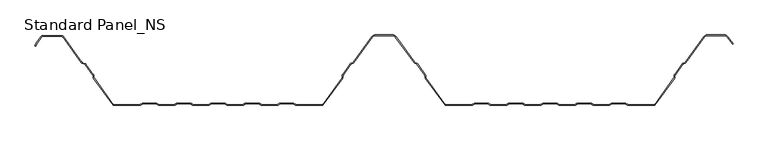
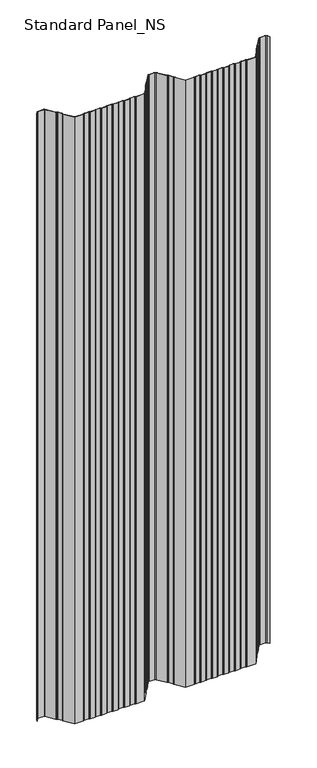
"""IFC4 building model written with IfcOpenShell, lengths in millimetres: proxy geometry, Standard Panel_NS."""

from ifc_helpers import new_model, si_unit, point, frame, frame_2d, origin, place, context, project, spatial, polyline, circle_curve, trimmed, segment, composite_curve, outline, extrude, source, transform, mapped, element, save


def standard_panel_ns_b1b751fa(model_context):
    return source(origin(), model_context, "Body", "SweptSolid", [
        extrude(outline(composite_curve([segment(trimmed(circle_curve(frame_2d((-489.5977663, 97.2513951)), 2.7486049), [point((-491.8230655, 98.864737))], [point((-489.5977663, 100.0))], False, "CARTESIAN"), True, "CONTINUOUS"), segment(polyline([(-489.5977663, 100.0), (-462.4022334, 100.0)]), True, "CONTINUOUS"), segment(trimmed(circle_curve(frame_2d((-462.4022334, 97.2513951)), 2.7486049), [point((-462.4022334, 100.0))], [point((-460.1769342, 98.864737))], False, "CARTESIAN"), True, "CONTINUOUS"), segment(polyline([(-460.1769342, 98.864737), (-433.3812186, 61.9051293)]), True, "CONTINUOUS"), segment(trimmed(circle_curve(frame_2d((-431.9655298, 62.9315037)), 1.7486049), [point((-433.3812186, 61.9051293))], [point((-432.574124, 61.2922257))], True, "CARTESIAN"), True, "CONTINUOUS"), segment(polyline([(-432.574124, 61.2922257), (-428.7804508, 59.8837962)]), True, "CONTINUOUS"), segment(trimmed(circle_curve(frame_2d((-429.7370906, 57.3070406)), 2.7486049), [point((-428.7804508, 59.8837962))], [point((-427.5117914, 58.9203825))], False, "CARTESIAN"), True, "CONTINUOUS"), segment(polyline([(-427.5117914, 58.9203825), (-416.762254, 44.0934344)]), True, "CONTINUOUS"), segment(trimmed(circle_curve(frame_2d((-418.9875532, 42.4800924)), 2.7486049), [point((-416.762254, 44.0934344))], [point((-416.2410712, 42.5881001))], False, "CARTESIAN"), True, "CONTINUOUS"), segment(polyline([(-416.2410712, 42.5881001), (-416.1528959, 40.3459275)]), True, "CONTINUOUS"), segment(trimmed(circle_curve(frame_2d((-414.4056416, 40.4146398)), 1.7486049), [point((-416.1528959, 40.3459275))], [point((-415.8213303, 39.3882654))], True, "CARTESIAN"), True, "CONTINUOUS"), segment(polyline([(-415.8213303, 39.3882654), (-387.9898379, 1.0), (-350.1655438, 1.0)]), True, "CONTINUOUS"), segment(trimmed(circle_curve(frame_2d((-350.1655438, 2.7486049)), 1.7486049), [point((-350.1655438, 1.0))], [point((-349.1955923, 1.2936777))], True, "CARTESIAN"), True, "CONTINUOUS"), segment(polyline([(-349.1955923, 1.2936777), (-347.3285499, 2.5383726)]), True, "CONTINUOUS"), segment(trimmed(circle_curve(frame_2d((-345.8038982, 0.2513951)), 2.7486049), [point((-347.3285499, 2.5383726))], [point((-345.8038982, 3.0))], False, "CARTESIAN"), True, "CONTINUOUS"), segment(polyline([(-345.8038982, 3.0), (-326.8627681, 3.0)]), True, "CONTINUOUS"), segment(trimmed(circle_curve(frame_2d((-326.8627681, 0.2513951)), 2.7486049), [point((-326.8627681, 3.0))], [point((-325.3381165, 2.5383726))], False, "CARTESIAN"), True, "CONTINUOUS"), segment(polyline([(-325.3381165, 2.5383726), (-323.4710741, 1.2936777)]), True, "CONTINUOUS"), segment(trimmed(circle_curve(frame_2d((-322.5011226, 2.7486049)), 1.7486049), [point((-323.4710741, 1.2936777))], [point((-322.5011226, 1.0))], True, "CARTESIAN"), True, "CONTINUOUS"), segment(polyline([(-322.5011226, 1.0), (-300.9988771, 1.0)]), True, "CONTINUOUS"), segment(trimmed(circle_curve(frame_2d((-300.9988771, 2.7486049)), 1.7486049), [point((-300.9988771, 1.0))], [point((-300.0289256, 1.2936777))], True, "CARTESIAN"), True, "CONTINUOUS"), segment(polyline([(-300.0289256, 1.2936777), (-298.1618832, 2.5383726)]), True, "CONTINUOUS"), segment(trimmed(circle_curve(frame_2d((-296.6372316, 0.2513951)), 2.7486049), [point((-298.1618832, 2.5383726))], [point((-296.6372316, 3.0))], False, "CARTESIAN"), True, "CONTINUOUS"), segment(polyline([(-296.6372316, 3.0), (-277.6961015, 3.0)]), True, "CONTINUOUS"), segment(trimmed(circle_curve(frame_2d((-277.6961015, 0.2513951)), 2.7486049), [point((-277.6961015, 3.0))], [point((-276.1714498, 2.5383726))], False, "CARTESIAN"), True, "CONTINUOUS"), segment(polyline([(-276.1714498, 2.5383726), (-274.3044074, 1.2936777)]), True, "CONTINUOUS"), segment(trimmed(circle_curve(frame_2d((-273.3344559, 2.7486049)), 1.7486049), [point((-274.3044074, 1.2936777))], [point((-273.3344559, 1.0))], True, "CARTESIAN"), True, "CONTINUOUS"), segment(polyline([(-273.3344559, 1.0), (-251.8322104, 1.0)]), True, "CONTINUOUS"), segment(trimmed(circle_curve(frame_2d((-251.8322104, 2.7486049)), 1.7486049), [point((-251.8322104, 1.0))], [point((-250.862259, 1.2936777))], True, "CARTESIAN"), True, "CONTINUOUS"), segment(polyline([(-250.862259, 1.2936777), (-248.9952166, 2.5383726)]), True, "CONTINUOUS"), segment(trimmed(circle_curve(frame_2d((-247.4705649, 0.2513951)), 2.7486049), [point((-248.9952166, 2.5383726))], [point((-247.4705649, 3.0))], False, "CARTESIAN"), True, "CONTINUOUS"), segment(polyline([(-247.4705649, 3.0), (-228.5294348, 3.0)]), True, "CONTINUOUS"), segment(trimmed(circle_curve(frame_2d((-228.5294348, 0.2513951)), 2.7486049), [point((-228.5294348, 3.0))], [point((-227.0047831, 2.5383726))], False, "CARTESIAN"), True, "CONTINUOUS"), segment(polyline([(-227.0047831, 2.5383726), (-225.1377407, 1.2936777)]), True, "CONTINUOUS"), segment(trimmed(circle_curve(frame_2d((-224.1677892, 2.7486049)), 1.7486049), [point((-225.1377407, 1.2936777))], [point((-224.1677892, 1.0))], True, "CARTESIAN"), True, "CONTINUOUS"), segment(polyline([(-224.1677892, 1.0), (-202.6655438, 1.0)]), True, "CONTINUOUS"), segment(trimmed(circle_curve(frame_2d((-202.6655438, 2.7486049)), 1.7486049), [point((-202.6655438, 1.0))], [point((-201.6955923, 1.2936777))], True, "CARTESIAN"), True, "CONTINUOUS"), segment(polyline([(-201.6955923, 1.2936777), (-199.8285499, 2.5383726)]), True, "CONTINUOUS"), segment(trimmed(circle_curve(frame_2d((-198.3038982, 0.2513951)), 2.7486049), [point((-199.8285499, 2.5383726))], [point((-198.3038982, 3.0))], False, "CARTESIAN"), True, "CONTINUOUS"), segment(polyline([(-198.3038982, 3.0), (-179.3627681, 3.0)]), True, "CONTINUOUS"), segment(trimmed(circle_curve(frame_2d((-179.3627681, 0.2513951)), 2.7486049), [point((-179.3627681, 3.0))], [point((-177.8381165, 2.5383726))], False, "CARTESIAN"), True, "CONTINUOUS"), segment(polyline([(-177.8381165, 2.5383726), (-175.9710741, 1.2936777)]), True, "CONTINUOUS"), segment(trimmed(circle_curve(frame_2d((-175.0011226, 2.7486049)), 1.7486049), [point((-175.9710741, 1.2936777))], [point((-175.0011226, 1.0))], True, "CARTESIAN"), True, "CONTINUOUS"), segment(polyline([(-175.0011226, 1.0), (-153.4988771, 1.0)]), True, "CONTINUOUS"), segment(trimmed(circle_curve(frame_2d((-153.4988771, 2.7486049)), 1.7486049), [point((-153.4988771, 1.0))], [point((-152.5289256, 1.2936777))], True, "CARTESIAN"), True, "CONTINUOUS"), segment(polyline([(-152.5289256, 1.2936777), (-150.6618832, 2.5383726)]), True, "CONTINUOUS"), segment(trimmed(circle_curve(frame_2d((-149.1372316, 0.2513951)), 2.7486049), [point((-150.6618832, 2.5383726))], [point((-149.1372316, 3.0))], False, "CARTESIAN"), True, "CONTINUOUS"), segment(polyline([(-149.1372316, 3.0), (-130.1961015, 3.0)]), True, "CONTINUOUS"), segment(trimmed(circle_curve(frame_2d((-130.1961015, 0.2513951)), 2.7486049), [point((-130.1961015, 3.0))], [point((-128.6714498, 2.5383726))], False, "CARTESIAN"), True, "CONTINUOUS"), segment(polyline([(-128.6714498, 2.5383726), (-126.8044074, 1.2936777)]), True, "CONTINUOUS"), segment(trimmed(circle_curve(frame_2d((-125.8344559, 2.7486049)), 1.7486049), [point((-126.8044074, 1.2936777))], [point((-125.8344559, 1.0))], True, "CARTESIAN"), True, "CONTINUOUS"), segment(polyline([(-125.8344559, 1.0), (-88.0101618, 1.0), (-60.1786694, 39.3882654)]), True, "CONTINUOUS"), segment(trimmed(circle_curve(frame_2d((-61.5943581, 40.4146398)), 1.7486049), [point((-60.1786694, 39.3882654))], [point((-59.8471038, 40.3459275))], True, "CARTESIAN"), True, "CONTINUOUS"), segment(polyline([(-59.8471038, 40.3459275), (-59.7589285, 42.5881001)]), True, "CONTINUOUS"), segment(trimmed(circle_curve(frame_2d((-57.0124465, 42.4800924)), 2.7486049), [point((-59.7589285, 42.5881001))], [point((-59.2377457, 44.0934344))], False, "CARTESIAN"), True, "CONTINUOUS"), segment(polyline([(-59.2377457, 44.0934344), (-48.1199166, 59.4283711)]), True, "CONTINUOUS"), segment(trimmed(circle_curve(frame_2d((-45.8946174, 57.8150291)), 2.7486049), [point((-48.1199166, 59.4283711))], [point((-46.8512572, 60.3917847))], False, "CARTESIAN"), True, "CONTINUOUS"), segment(polyline([(-46.8512572, 60.3917847), (-44.7476458, 61.1727662)]), True, "CONTINUOUS"), segment(trimmed(circle_curve(frame_2d((-45.35624, 62.8120441)), 1.7486049), [point((-44.7476458, 61.1727662))], [point((-43.9405512, 61.7856697))], True, "CARTESIAN"), True, "CONTINUOUS"), segment(polyline([(-43.9405512, 61.7856697), (-17.3068528, 98.5218054)]), True, "CONTINUOUS"), segment(trimmed(circle_curve(frame_2d((-12.4491902, 95.0)), 6.0), [point((-17.3068528, 98.5218054))], [point((-12.4491902, 101.0))], False, "CARTESIAN"), True, "CONTINUOUS"), segment(polyline([(-12.4491902, 101.0), (12.4491905, 101.0)]), True, "CONTINUOUS"), segment(trimmed(circle_curve(frame_2d((12.4491905, 95.0)), 6.0), [point((12.4491905, 101.0))], [point((17.3068531, 98.5218054))], False, "CARTESIAN"), True, "CONTINUOUS"), segment(polyline([(17.3068531, 98.5218054), (43.9405515, 61.7856697)]), True, "CONTINUOUS"), segment(trimmed(circle_curve(frame_2d((45.3562403, 62.8120441)), 1.7486049), [point((43.9405515, 61.7856697))], [point((44.7476461, 61.1727662))], True, "CARTESIAN"), True, "CONTINUOUS"), segment(polyline([(44.7476461, 61.1727662), (46.8512575, 60.3917847)]), True, "CONTINUOUS"), segment(trimmed(circle_curve(frame_2d((45.8946177, 57.8150291)), 2.7486049), [point((46.8512575, 60.3917847))], [point((48.1199169, 59.4283711))], False, "CARTESIAN"), True, "CONTINUOUS"), segment(polyline([(48.1199169, 59.4283711), (59.237746, 44.0934344)]), True, "CONTINUOUS"), segment(trimmed(circle_curve(frame_2d((57.0124468, 42.4800924)), 2.7486049), [point((59.237746, 44.0934344))], [point((59.7589288, 42.5881001))], False, "CARTESIAN"), True, "CONTINUOUS"), segment(polyline([(59.7589288, 42.5881001), (59.8471041, 40.3459275)]), True, "CONTINUOUS"), segment(trimmed(circle_curve(frame_2d((61.5943584, 40.4146398)), 1.7486049), [point((59.8471041, 40.3459275))], [point((60.1786697, 39.3882654))], True, "CARTESIAN"), True, "CONTINUOUS"), segment(polyline([(60.1786697, 39.3882654), (88.0101621, 1.0), (125.8344562, 1.0)]), True, "CONTINUOUS"), segment(trimmed(circle_curve(frame_2d((125.8344562, 2.7486049)), 1.7486049), [point((125.8344562, 1.0))], [point((126.8044077, 1.2936777))], True, "CARTESIAN"), True, "CONTINUOUS"), segment(polyline([(126.8044077, 1.2936777), (128.6714501, 2.5383726)]), True, "CONTINUOUS"), segment(trimmed(circle_curve(frame_2d((130.1961018, 0.2513951)), 2.7486049), [point((128.6714501, 2.5383726))], [point((130.1961018, 3.0))], False, "CARTESIAN"), True, "CONTINUOUS"), segment(polyline([(130.1961018, 3.0), (149.1372319, 3.0)]), True, "CONTINUOUS"), segment(trimmed(circle_curve(frame_2d((149.1372319, 0.2513951)), 2.7486049), [point((149.1372319, 3.0))], [point((150.6618835, 2.5383726))], False, "CARTESIAN"), True, "CONTINUOUS"), segment(polyline([(150.6618835, 2.5383726), (152.5289259, 1.2936777)]), True, "CONTINUOUS"), segment(trimmed(circle_curve(frame_2d((153.4988774, 2.7486049)), 1.7486049), [point((152.5289259, 1.2936777))], [point((153.4988774, 1.0))], True, "CARTESIAN"), True, "CONTINUOUS"), segment(polyline([(153.4988774, 1.0), (175.0011229, 1.0)]), True, "CONTINUOUS"), segment(trimmed(circle_curve(frame_2d((175.0011229, 2.7486049)), 1.7486049), [point((175.0011229, 1.0))], [point((175.9710744, 1.2936777))], True, "CARTESIAN"), True, "CONTINUOUS"), segment(polyline([(175.9710744, 1.2936777), (177.8381168, 2.5383726)]), True, "CONTINUOUS"), segment(trimmed(circle_curve(frame_2d((179.3627684, 0.2513951)), 2.7486049), [point((177.8381168, 2.5383726))], [point((179.3627684, 3.0))], False, "CARTESIAN"), True, "CONTINUOUS"), segment(polyline([(179.3627684, 3.0), (198.3038985, 3.0)]), True, "CONTINUOUS"), segment(trimmed(circle_curve(frame_2d((198.3038985, 0.2513951)), 2.7486049), [point((198.3038985, 3.0))], [point((199.8285502, 2.5383726))], False, "CARTESIAN"), True, "CONTINUOUS"), segment(polyline([(199.8285502, 2.5383726), (201.6955926, 1.2936777)]), True, "CONTINUOUS"), segment(trimmed(circle_curve(frame_2d((202.6655441, 2.7486049)), 1.7486049), [point((201.6955926, 1.2936777))], [point((202.6655441, 1.0))], True, "CARTESIAN"), True, "CONTINUOUS"), segment(polyline([(202.6655441, 1.0), (224.1677896, 1.0)]), True, "CONTINUOUS"), segment(trimmed(circle_curve(frame_2d((224.1677896, 2.7486049)), 1.7486049), [point((224.1677896, 1.0))], [point((225.137741, 1.2936777))], True, "CARTESIAN"), True, "CONTINUOUS"), segment(polyline([(225.137741, 1.2936777), (227.0047834, 2.5383726)]), True, "CONTINUOUS"), segment(trimmed(circle_curve(frame_2d((228.5294351, 0.2513951)), 2.7486049), [point((227.0047834, 2.5383726))], [point((228.5294351, 3.0))], False, "CARTESIAN"), True, "CONTINUOUS"), segment(polyline([(228.5294351, 3.0), (247.4705652, 3.0)]), True, "CONTINUOUS"), segment(trimmed(circle_curve(frame_2d((247.4705652, 0.2513951)), 2.7486049), [point((247.4705652, 3.0))], [point((248.9952169, 2.5383726))], False, "CARTESIAN"), True, "CONTINUOUS"), segment(polyline([(248.9952169, 2.5383726), (250.8622593, 1.2936777)]), True, "CONTINUOUS"), segment(trimmed(circle_curve(frame_2d((251.8322108, 2.7486049)), 1.7486049), [point((250.8622593, 1.2936777))], [point((251.8322108, 1.0))], True, "CARTESIAN"), True, "CONTINUOUS"), segment(polyline([(251.8322108, 1.0), (273.3344562, 1.0)]), True, "CONTINUOUS"), segment(trimmed(circle_curve(frame_2d((273.3344562, 2.7486049)), 1.7486049), [point((273.3344562, 1.0))], [point((274.3044077, 1.2936777))], True, "CARTESIAN"), True, "CONTINUOUS"), segment(polyline([(274.3044077, 1.2936777), (276.1714501, 2.5383726)]), True, "CONTINUOUS"), segment(trimmed(circle_curve(frame_2d((277.6961018, 0.2513951)), 2.7486049), [point((276.1714501, 2.5383726))], [point((277.6961018, 3.0))], False, "CARTESIAN"), True, "CONTINUOUS"), segment(polyline([(277.6961018, 3.0), (296.6372319, 3.0)]), True, "CONTINUOUS"), segment(trimmed(circle_curve(frame_2d((296.6372319, 0.2513951)), 2.7486049), [point((296.6372319, 3.0))], [point((298.1618835, 2.5383726))], False, "CARTESIAN"), True, "CONTINUOUS"), segment(polyline([(298.1618835, 2.5383726), (300.0289259, 1.2936777)]), True, "CONTINUOUS"), segment(trimmed(circle_curve(frame_2d((300.9988774, 2.7486049)), 1.7486049), [point((300.0289259, 1.2936777))], [point((300.9988774, 1.0))], True, "CARTESIAN"), True, "CONTINUOUS"), segment(polyline([(300.9988774, 1.0), (322.5011229, 1.0)]), True, "CONTINUOUS"), segment(trimmed(circle_curve(frame_2d((322.5011229, 2.7486049)), 1.7486049), [point((322.5011229, 1.0))], [point((323.4710744, 1.2936777))], True, "CARTESIAN"), True, "CONTINUOUS"), segment(polyline([(323.4710744, 1.2936777), (325.3381168, 2.5383726)]), True, "CONTINUOUS"), segment(trimmed(circle_curve(frame_2d((326.8627684, 0.2513951)), 2.7486049), [point((325.3381168, 2.5383726))], [point((326.8627684, 3.0))], False, "CARTESIAN"), True, "CONTINUOUS"), segment(polyline([(326.8627684, 3.0), (345.8038985, 3.0)]), True, "CONTINUOUS"), segment(trimmed(circle_curve(frame_2d((345.8038985, 0.2513951)), 2.7486049), [point((345.8038985, 3.0))], [point((347.3285502, 2.5383726))], False, "CARTESIAN"), True, "CONTINUOUS"), segment(polyline([(347.3285502, 2.5383726), (349.1955926, 1.2936777)]), True, "CONTINUOUS"), segment(trimmed(circle_curve(frame_2d((350.1655441, 2.7486049)), 1.7486049), [point((349.1955926, 1.2936777))], [point((350.1655441, 1.0))], True, "CARTESIAN"), True, "CONTINUOUS"), segment(polyline([(350.1655441, 1.0), (387.9898382, 1.0), (415.8213306, 39.3882654)]), True, "CONTINUOUS"), segment(trimmed(circle_curve(frame_2d((414.4056419, 40.4146398)), 1.7486049), [point((415.8213306, 39.3882654))], [point((416.1528962, 40.3459275))], True, "CARTESIAN"), True, "CONTINUOUS"), segment(polyline([(416.1528962, 40.3459275), (416.2410715, 42.5881001)]), True, "CONTINUOUS"), segment(trimmed(circle_curve(frame_2d((418.9875535, 42.4800924)), 2.7486049), [point((416.2410715, 42.5881001))], [point((416.7622543, 44.0934344))], False, "CARTESIAN"), True, "CONTINUOUS"), segment(polyline([(416.7622543, 44.0934344), (427.8800834, 59.4283711)]), True, "CONTINUOUS"), segment(trimmed(circle_curve(frame_2d((430.1053826, 57.8150291)), 2.7486049), [point((427.8800834, 59.4283711))], [point((429.1487428, 60.3917847))], False, "CARTESIAN"), True, "CONTINUOUS"), segment(polyline([(429.1487428, 60.3917847), (431.2523542, 61.1727662)]), True, "CONTINUOUS"), segment(trimmed(circle_curve(frame_2d((430.64376, 62.8120441)), 1.7486049), [point((431.2523542, 61.1727662))], [point((432.0594488, 61.7856697))], True, "CARTESIAN"), True, "CONTINUOUS"), segment(polyline([(432.0594488, 61.7856697), (458.6931472, 98.5218054)]), True, "CONTINUOUS"), segment(trimmed(circle_curve(frame_2d((463.5508098, 95.0)), 6.0), [point((458.6931472, 98.5218054))], [point((463.5508098, 101.0))], False, "CARTESIAN"), True, "CONTINUOUS"), segment(polyline([(463.5508098, 101.0), (488.4491905, 101.0)]), True, "CONTINUOUS"), segment(trimmed(circle_curve(frame_2d((488.4491905, 95.0)), 6.0), [point((488.4491905, 101.0))], [point((493.3068531, 98.5218054))], False, "CARTESIAN"), True, "CONTINUOUS"), segment(polyline([(493.3068531, 98.5218054), (500.6141242, 88.4428109), (499.8045137, 87.8558433), (492.4972427, 97.9348379)]), True, "CONTINUOUS"), segment(trimmed(circle_curve(frame_2d((488.4491905, 95.0)), 5.0), [point((492.4972427, 97.9348379))], [point((488.4491905, 100.0))], True, "CARTESIAN"), True, "CONTINUOUS"), segment(polyline([(488.4491905, 100.0), (463.5508098, 100.0)]), True, "CONTINUOUS"), segment(trimmed(circle_curve(frame_2d((463.5508098, 95.0)), 5.0), [point((463.5508098, 100.0))], [point((459.5027576, 97.9348379))], True, "CARTESIAN"), True, "CONTINUOUS"), segment(polyline([(459.5027576, 97.9348379), (432.8690592, 61.1987022)]), True, "CONTINUOUS"), segment(trimmed(circle_curve(frame_2d((430.64376, 62.8120441)), 2.7486049), [point((432.8690592, 61.1987022))], [point((431.6003998, 60.2352885))], False, "CARTESIAN"), True, "CONTINUOUS"), segment(polyline([(431.6003998, 60.2352885), (429.4967884, 59.4543071)]), True, "CONTINUOUS"), segment(trimmed(circle_curve(frame_2d((430.1053826, 57.8150291)), 1.7486049), [point((429.4967884, 59.4543071))], [point((428.6896938, 58.8414035))], True, "CARTESIAN"), True, "CONTINUOUS"), segment(polyline([(428.6896938, 58.8414035), (417.5718647, 43.5064668)]), True, "CONTINUOUS"), segment(trimmed(circle_curve(frame_2d((418.9875535, 42.4800924)), 1.7486049), [point((417.5718647, 43.5064668))], [point((417.2402992, 42.5488047))], True, "CARTESIAN"), True, "CONTINUOUS"), segment(polyline([(417.2402992, 42.5488047), (417.1521238, 40.3066321)]), True, "CONTINUOUS"), segment(trimmed(circle_curve(frame_2d((414.4056419, 40.4146398)), 2.7486049), [point((417.1521238, 40.3066321))], [point((416.6309411, 38.8012978))], False, "CARTESIAN"), True, "CONTINUOUS"), segment(polyline([(416.6309411, 38.8012978), (388.5000002, 0.0), (350.1655441, 0.0)]), True, "CONTINUOUS"), segment(trimmed(circle_curve(frame_2d((350.1655441, 2.7486049)), 2.7486049), [point((350.1655441, 0.0))], [point((348.6408924, 0.4616274))], False, "CARTESIAN"), True, "CONTINUOUS"), segment(polyline([(348.6408924, 0.4616274), (346.77385, 1.7063223)]), True, "CONTINUOUS"), segment(trimmed(circle_curve(frame_2d((345.8038985, 0.2513951)), 1.7486049), [point((346.77385, 1.7063223))], [point((345.8038985, 2.0))], True, "CARTESIAN"), True, "CONTINUOUS"), segment(polyline([(345.8038985, 2.0), (326.8627684, 2.0)]), True, "CONTINUOUS"), segment(trimmed(circle_curve(frame_2d((326.8627684, 0.2513951)), 1.7486049), [point((326.8627684, 2.0))], [point((325.892817, 1.7063223))], True, "CARTESIAN"), True, "CONTINUOUS"), segment(polyline([(325.892817, 1.7063223), (324.0257746, 0.4616274)]), True, "CONTINUOUS"), segment(trimmed(circle_curve(frame_2d((322.5011229, 2.7486049)), 2.7486049), [point((324.0257746, 0.4616274))], [point((322.5011229, 0.0))], False, "CARTESIAN"), True, "CONTINUOUS"), segment(polyline([(322.5011229, 0.0), (300.9988774, 0.0)]), True, "CONTINUOUS"), segment(trimmed(circle_curve(frame_2d((300.9988774, 2.7486049)), 2.7486049), [point((300.9988774, 0.0))], [point((299.4742257, 0.4616274))], False, "CARTESIAN"), True, "CONTINUOUS"), segment(polyline([(299.4742257, 0.4616274), (297.6071833, 1.7063223)]), True, "CONTINUOUS"), segment(trimmed(circle_curve(frame_2d((296.6372319, 0.2513951)), 1.7486049), [point((297.6071833, 1.7063223))], [point((296.6372319, 2.0))], True, "CARTESIAN"), True, "CONTINUOUS"), segment(polyline([(296.6372319, 2.0), (277.6961018, 2.0)]), True, "CONTINUOUS"), segment(trimmed(circle_curve(frame_2d((277.6961018, 0.2513951)), 1.7486049), [point((277.6961018, 2.0))], [point((276.7261503, 1.7063223))], True, "CARTESIAN"), True, "CONTINUOUS"), segment(polyline([(276.7261503, 1.7063223), (274.8591079, 0.4616274)]), True, "CONTINUOUS"), segment(trimmed(circle_curve(frame_2d((273.3344562, 2.7486049)), 2.7486049), [point((274.8591079, 0.4616274))], [point((273.3344562, 0.0))], False, "CARTESIAN"), True, "CONTINUOUS"), segment(polyline([(273.3344562, 0.0), (251.8322108, 0.0)]), True, "CONTINUOUS"), segment(trimmed(circle_curve(frame_2d((251.8322108, 2.7486049)), 2.7486049), [point((251.8322108, 0.0))], [point((250.3075591, 0.4616274))], False, "CARTESIAN"), True, "CONTINUOUS"), segment(polyline([(250.3075591, 0.4616274), (248.4405167, 1.7063223)]), True, "CONTINUOUS"), segment(trimmed(circle_curve(frame_2d((247.4705652, 0.2513951)), 1.7486049), [point((248.4405167, 1.7063223))], [point((247.4705652, 2.0))], True, "CARTESIAN"), True, "CONTINUOUS"), segment(polyline([(247.4705652, 2.0), (228.5294351, 2.0)]), True, "CONTINUOUS"), segment(trimmed(circle_curve(frame_2d((228.5294351, 0.2513951)), 1.7486049), [point((228.5294351, 2.0))], [point((227.5594836, 1.7063223))], True, "CARTESIAN"), True, "CONTINUOUS"), segment(polyline([(227.5594836, 1.7063223), (225.6924412, 0.4616274)]), True, "CONTINUOUS"), segment(trimmed(circle_curve(frame_2d((224.1677896, 2.7486049)), 2.7486049), [point((225.6924412, 0.4616274))], [point((224.1677896, 0.0))], False, "CARTESIAN"), True, "CONTINUOUS"), segment(polyline([(224.1677896, 0.0), (202.6655441, 0.0)]), True, "CONTINUOUS"), segment(trimmed(circle_curve(frame_2d((202.6655441, 2.7486049)), 2.7486049), [point((202.6655441, 0.0))], [point((201.1408924, 0.4616274))], False, "CARTESIAN"), True, "CONTINUOUS"), segment(polyline([(201.1408924, 0.4616274), (199.27385, 1.7063223)]), True, "CONTINUOUS"), segment(trimmed(circle_curve(frame_2d((198.3038985, 0.2513951)), 1.7486049), [point((199.27385, 1.7063223))], [point((198.3038985, 2.0))], True, "CARTESIAN"), True, "CONTINUOUS"), segment(polyline([(198.3038985, 2.0), (179.3627684, 2.0)]), True, "CONTINUOUS"), segment(trimmed(circle_curve(frame_2d((179.3627684, 0.2513951)), 1.7486049), [point((179.3627684, 2.0))], [point((178.392817, 1.7063223))], True, "CARTESIAN"), True, "CONTINUOUS"), segment(polyline([(178.392817, 1.7063223), (176.5257746, 0.4616274)]), True, "CONTINUOUS"), segment(trimmed(circle_curve(frame_2d((175.0011229, 2.7486049)), 2.7486049), [point((176.5257746, 0.4616274))], [point((175.0011229, 0.0))], False, "CARTESIAN"), True, "CONTINUOUS"), segment(polyline([(175.0011229, 0.0), (153.4988774, 0.0)]), True, "CONTINUOUS"), segment(trimmed(circle_curve(frame_2d((153.4988774, 2.7486049)), 2.7486049), [point((153.4988774, 0.0))], [point((151.9742257, 0.4616274))], False, "CARTESIAN"), True, "CONTINUOUS"), segment(polyline([(151.9742257, 0.4616274), (150.1071833, 1.7063223)]), True, "CONTINUOUS"), segment(trimmed(circle_curve(frame_2d((149.1372319, 0.2513951)), 1.7486049), [point((150.1071833, 1.7063223))], [point((149.1372319, 2.0))], True, "CARTESIAN"), True, "CONTINUOUS"), segment(polyline([(149.1372319, 2.0), (130.1961018, 2.0)]), True, "CONTINUOUS"), segment(trimmed(circle_curve(frame_2d((130.1961018, 0.2513951)), 1.7486049), [point((130.1961018, 2.0))], [point((129.2261503, 1.7063223))], True, "CARTESIAN"), True, "CONTINUOUS"), segment(polyline([(129.2261503, 1.7063223), (127.3591079, 0.4616274)]), True, "CONTINUOUS"), segment(trimmed(circle_curve(frame_2d((125.8344562, 2.7486049)), 2.7486049), [point((127.3591079, 0.4616274))], [point((125.8344562, 0.0))], False, "CARTESIAN"), True, "CONTINUOUS"), segment(polyline([(125.8344562, 0.0), (87.5000002, 0.0), (59.3690592, 38.8012978)]), True, "CONTINUOUS"), segment(trimmed(circle_curve(frame_2d((61.5943584, 40.4146398)), 2.7486049), [point((59.3690592, 38.8012978))], [point((58.8478765, 40.3066321))], False, "CARTESIAN"), True, "CONTINUOUS"), segment(polyline([(58.8478765, 40.3066321), (58.7597011, 42.5488047)]), True, "CONTINUOUS"), segment(trimmed(circle_curve(frame_2d((57.0124468, 42.4800924)), 1.7486049), [point((58.7597011, 42.5488047))], [point((58.4281356, 43.5064668))], True, "CARTESIAN"), True, "CONTINUOUS"), segment(polyline([(58.4281356, 43.5064668), (47.3103065, 58.8414035)]), True, "CONTINUOUS"), segment(trimmed(circle_curve(frame_2d((45.8946177, 57.8150291)), 1.7486049), [point((47.3103065, 58.8414035))], [point((46.5032119, 59.4543071))], True, "CARTESIAN"), True, "CONTINUOUS"), segment(polyline([(46.5032119, 59.4543071), (44.3996005, 60.2352885)]), True, "CONTINUOUS"), segment(trimmed(circle_curve(frame_2d((45.3562403, 62.8120441)), 2.7486049), [point((44.3996005, 60.2352885))], [point((43.1309411, 61.1987022))], False, "CARTESIAN"), True, "CONTINUOUS"), segment(polyline([(43.1309411, 61.1987022), (16.4972427, 97.9348379)]), True, "CONTINUOUS"), segment(trimmed(circle_curve(frame_2d((12.4491905, 95.0)), 5.0), [point((16.4972427, 97.9348379))], [point((12.4491905, 100.0))], True, "CARTESIAN"), True, "CONTINUOUS"), segment(polyline([(12.4491905, 100.0), (-12.4491902, 100.0)]), True, "CONTINUOUS"), segment(trimmed(circle_curve(frame_2d((-12.4491902, 95.0)), 5.0), [point((-12.4491902, 100.0))], [point((-16.4972424, 97.9348379))], True, "CARTESIAN"), True, "CONTINUOUS"), segment(polyline([(-16.4972424, 97.9348379), (-43.1309408, 61.1987022)]), True, "CONTINUOUS"), segment(trimmed(circle_curve(frame_2d((-45.35624, 62.8120441)), 2.7486049), [point((-43.1309408, 61.1987022))], [point((-44.3996002, 60.2352885))], False, "CARTESIAN"), True, "CONTINUOUS"), segment(polyline([(-44.3996002, 60.2352885), (-46.5032116, 59.4543071)]), True, "CONTINUOUS"), segment(trimmed(circle_curve(frame_2d((-45.8946174, 57.8150291)), 1.7486049), [point((-46.5032116, 59.4543071))], [point((-47.3103062, 58.8414035))], True, "CARTESIAN"), True, "CONTINUOUS"), segment(polyline([(-47.3103062, 58.8414035), (-58.4281353, 43.5064668)]), True, "CONTINUOUS"), segment(trimmed(circle_curve(frame_2d((-57.0124465, 42.4800924)), 1.7486049), [point((-58.4281353, 43.5064668))], [point((-58.7597008, 42.5488047))], True, "CARTESIAN"), True, "CONTINUOUS"), segment(polyline([(-58.7597008, 42.5488047), (-58.8478762, 40.3066321)]), True, "CONTINUOUS"), segment(trimmed(circle_curve(frame_2d((-61.5943581, 40.4146398)), 2.7486049), [point((-58.8478762, 40.3066321))], [point((-59.3690589, 38.8012978))], False, "CARTESIAN"), True, "CONTINUOUS"), segment(polyline([(-59.3690589, 38.8012978), (-87.4999998, 0.0), (-125.8344559, 0.0)]), True, "CONTINUOUS"), segment(trimmed(circle_curve(frame_2d((-125.8344559, 2.7486049)), 2.7486049), [point((-125.8344559, 0.0))], [point((-127.3591076, 0.4616274))], False, "CARTESIAN"), True, "CONTINUOUS"), segment(polyline([(-127.3591076, 0.4616274), (-129.22615, 1.7063223)]), True, "CONTINUOUS"), segment(trimmed(circle_curve(frame_2d((-130.1961015, 0.2513951)), 1.7486049), [point((-129.22615, 1.7063223))], [point((-130.1961015, 2.0))], True, "CARTESIAN"), True, "CONTINUOUS"), segment(polyline([(-130.1961015, 2.0), (-149.1372316, 2.0)]), True, "CONTINUOUS"), segment(trimmed(circle_curve(frame_2d((-149.1372316, 0.2513951)), 1.7486049), [point((-149.1372316, 2.0))], [point((-150.107183, 1.7063223))], True, "CARTESIAN"), True, "CONTINUOUS"), segment(polyline([(-150.107183, 1.7063223), (-151.9742254, 0.4616274)]), True, "CONTINUOUS"), segment(trimmed(circle_curve(frame_2d((-153.4988771, 2.7486049)), 2.7486049), [point((-151.9742254, 0.4616274))], [point((-153.4988771, 0.0))], False, "CARTESIAN"), True, "CONTINUOUS"), segment(polyline([(-153.4988771, 0.0), (-175.0011226, 0.0)]), True, "CONTINUOUS"), segment(trimmed(circle_curve(frame_2d((-175.0011226, 2.7486049)), 2.7486049), [point((-175.0011226, 0.0))], [point((-176.5257743, 0.4616274))], False, "CARTESIAN"), True, "CONTINUOUS"), segment(polyline([(-176.5257743, 0.4616274), (-178.3928167, 1.7063223)]), True, "CONTINUOUS"), segment(trimmed(circle_curve(frame_2d((-179.3627681, 0.2513951)), 1.7486049), [point((-178.3928167, 1.7063223))], [point((-179.3627681, 2.0))], True, "CARTESIAN"), True, "CONTINUOUS"), segment(polyline([(-179.3627681, 2.0), (-198.3038982, 2.0)]), True, "CONTINUOUS"), segment(trimmed(circle_curve(frame_2d((-198.3038982, 0.2513951)), 1.7486049), [point((-198.3038982, 2.0))], [point((-199.2738497, 1.7063223))], True, "CARTESIAN"), True, "CONTINUOUS"), segment(polyline([(-199.2738497, 1.7063223), (-201.1408921, 0.4616274)]), True, "CONTINUOUS"), segment(trimmed(circle_curve(frame_2d((-202.6655438, 2.7486049)), 2.7486049), [point((-201.1408921, 0.4616274))], [point((-202.6655438, 0.0))], False, "CARTESIAN"), True, "CONTINUOUS"), segment(polyline([(-202.6655438, 0.0), (-224.1677892, 0.0)]), True, "CONTINUOUS"), segment(trimmed(circle_curve(frame_2d((-224.1677892, 2.7486049)), 2.7486049), [point((-224.1677892, 0.0))], [point((-225.6924409, 0.4616274))], False, "CARTESIAN"), True, "CONTINUOUS"), segment(polyline([(-225.6924409, 0.4616274), (-227.5594833, 1.7063223)]), True, "CONTINUOUS"), segment(trimmed(circle_curve(frame_2d((-228.5294348, 0.2513951)), 1.7486049), [point((-227.5594833, 1.7063223))], [point((-228.5294348, 2.0))], True, "CARTESIAN"), True, "CONTINUOUS"), segment(polyline([(-228.5294348, 2.0), (-247.4705649, 2.0)]), True, "CONTINUOUS"), segment(trimmed(circle_curve(frame_2d((-247.4705649, 0.2513951)), 1.7486049), [point((-247.4705649, 2.0))], [point((-248.4405164, 1.7063223))], True, "CARTESIAN"), True, "CONTINUOUS"), segment(polyline([(-248.4405164, 1.7063223), (-250.3075588, 0.4616274)]), True, "CONTINUOUS"), segment(trimmed(circle_curve(frame_2d((-251.8322104, 2.7486049)), 2.7486049), [point((-250.3075588, 0.4616274))], [point((-251.8322104, 0.0))], False, "CARTESIAN"), True, "CONTINUOUS"), segment(polyline([(-251.8322104, 0.0), (-273.3344559, 0.0)]), True, "CONTINUOUS"), segment(trimmed(circle_curve(frame_2d((-273.3344559, 2.7486049)), 2.7486049), [point((-273.3344559, 0.0))], [point((-274.8591076, 0.4616274))], False, "CARTESIAN"), True, "CONTINUOUS"), segment(polyline([(-274.8591076, 0.4616274), (-276.72615, 1.7063223)]), True, "CONTINUOUS"), segment(trimmed(circle_curve(frame_2d((-277.6961015, 0.2513951)), 1.7486049), [point((-276.72615, 1.7063223))], [point((-277.6961015, 2.0))], True, "CARTESIAN"), True, "CONTINUOUS"), segment(polyline([(-277.6961015, 2.0), (-296.6372316, 2.0)]), True, "CONTINUOUS"), segment(trimmed(circle_curve(frame_2d((-296.6372316, 0.2513951)), 1.7486049), [point((-296.6372316, 2.0))], [point((-297.607183, 1.7063223))], True, "CARTESIAN"), True, "CONTINUOUS"), segment(polyline([(-297.607183, 1.7063223), (-299.4742254, 0.4616274)]), True, "CONTINUOUS"), segment(trimmed(circle_curve(frame_2d((-300.9988771, 2.7486049)), 2.7486049), [point((-299.4742254, 0.4616274))], [point((-300.9988771, 0.0))], False, "CARTESIAN"), True, "CONTINUOUS"), segment(polyline([(-300.9988771, 0.0), (-322.5011226, 0.0)]), True, "CONTINUOUS"), segment(trimmed(circle_curve(frame_2d((-322.5011226, 2.7486049)), 2.7486049), [point((-322.5011226, 0.0))], [point((-324.0257743, 0.4616274))], False, "CARTESIAN"), True, "CONTINUOUS"), segment(polyline([(-324.0257743, 0.4616274), (-325.8928167, 1.7063223)]), True, "CONTINUOUS"), segment(trimmed(circle_curve(frame_2d((-326.8627681, 0.2513951)), 1.7486049), [point((-325.8928167, 1.7063223))], [point((-326.8627681, 2.0))], True, "CARTESIAN"), True, "CONTINUOUS"), segment(polyline([(-326.8627681, 2.0), (-345.8038982, 2.0)]), True, "CONTINUOUS"), segment(trimmed(circle_curve(frame_2d((-345.8038982, 0.2513951)), 1.7486049), [point((-345.8038982, 2.0))], [point((-346.7738497, 1.7063223))], True, "CARTESIAN"), True, "CONTINUOUS"), segment(polyline([(-346.7738497, 1.7063223), (-348.6408921, 0.4616274)]), True, "CONTINUOUS"), segment(trimmed(circle_curve(frame_2d((-350.1655438, 2.7486049)), 2.7486049), [point((-348.6408921, 0.4616274))], [point((-350.1655438, 0.0))], False, "CARTESIAN"), True, "CONTINUOUS"), segment(polyline([(-350.1655438, 0.0), (-388.4999998, 0.0), (-416.6309408, 38.8012978)]), True, "CONTINUOUS"), segment(trimmed(circle_curve(frame_2d((-414.4056416, 40.4146398)), 2.7486049), [point((-416.6309408, 38.8012978))], [point((-417.1521235, 40.3066321))], False, "CARTESIAN"), True, "CONTINUOUS"), segment(polyline([(-417.1521235, 40.3066321), (-417.2402989, 42.5488047)]), True, "CONTINUOUS"), segment(trimmed(circle_curve(frame_2d((-418.9875532, 42.4800924)), 1.7486049), [point((-417.2402989, 42.5488047))], [point((-417.5718644, 43.5064668))], True, "CARTESIAN"), True, "CONTINUOUS"), segment(polyline([(-417.5718644, 43.5064668), (-428.3214018, 58.333415)]), True, "CONTINUOUS"), segment(trimmed(circle_curve(frame_2d((-429.7370906, 57.3070406)), 1.7486049), [point((-428.3214018, 58.333415))], [point((-429.1284964, 58.9463185))], True, "CARTESIAN"), True, "CONTINUOUS"), segment(polyline([(-429.1284964, 58.9463185), (-432.9221696, 60.3547481)]), True, "CONTINUOUS"), segment(trimmed(circle_curve(frame_2d((-431.9655298, 62.9315037)), 2.7486049), [point((-432.9221696, 60.3547481))], [point((-434.190829, 61.3181617))], False, "CARTESIAN"), True, "CONTINUOUS"), segment(polyline([(-434.190829, 61.3181617), (-460.9865447, 98.2777695)]), True, "CONTINUOUS"), segment(trimmed(circle_curve(frame_2d((-462.4022334, 97.2513951)), 1.7486049), [point((-460.9865447, 98.2777695))], [point((-462.4022334, 99.0))], True, "CARTESIAN"), True, "CONTINUOUS"), segment(polyline([(-462.4022334, 99.0), (-489.5977663, 99.0)]), True, "CONTINUOUS"), segment(trimmed(circle_curve(frame_2d((-489.5977663, 97.2513951)), 1.7486049), [point((-489.5977663, 99.0))], [point((-491.013455, 98.2777695))], True, "CARTESIAN"), True, "CONTINUOUS"), segment(polyline([(-491.013455, 98.2777695), (-497.5334488, 89.2846747), (-499.6935694, 84.9550455), (-500.5883843, 85.4014829), (-498.3914548, 89.8048897), (-491.8230655, 98.864737)]), True, "CONTINUOUS")], self_intersect=False)), frame((0.0, 0.0, -250.0), z_axis=(0.0, 0.0, 1.0), x_axis=(1.0, 0.0, 0.0)), (0.0, 0.0, 1.0), 2750.0),
    ])


if __name__ == "__main__":
    model = new_model("IFC4")
    model_context = context("Model", 3, world=origin())
    ifc_project = project(units=[si_unit("LENGTHUNIT", "METRE", prefix="MILLI")], contexts=[model_context])
    site = spatial("IfcSite", under=ifc_project)
    building = spatial("IfcBuilding", under=site)
    placement = place(None, origin())
    standard_panel_ns_shape = standard_panel_ns_b1b751fa(model_context)
    element("IfcBuildingElementProxy", 1, Name="Standard Panel_NS", ObjectType="Standard Panel_NS", at=placement, inside=building, context=model_context, shape_type="MappedRepresentation", body=[
        mapped(standard_panel_ns_shape, transform((0.0, 0.0, 0.0), x_axis=(1.0, 0.0, 0.0), y_axis=(0.0, 1.0, 0.0), z_axis=(0.0, 0.0, 1.0))),
    ])
    save(model, "model.ifc")
